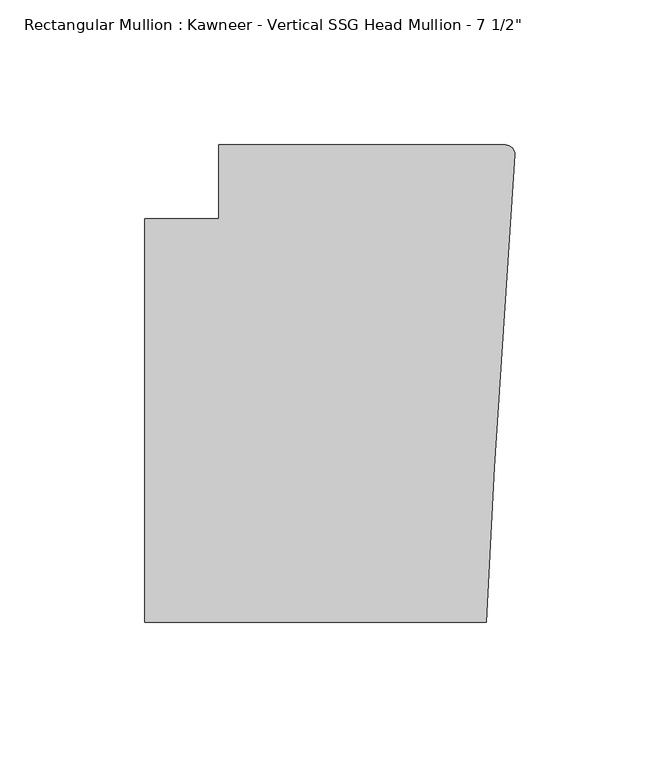
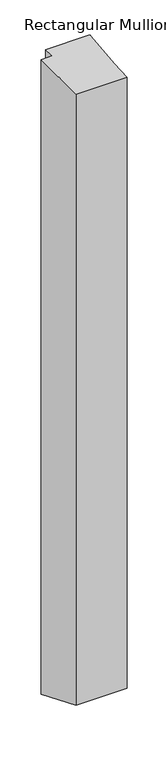
"""IFC4 building model written with IfcOpenShell, lengths in millimetres: member geometry."""

from ifc_helpers import new_model, si_unit, frame, origin, place, context, project, spatial, circle_curve, ellipse_curve, source, transform, mapped, element, save
from ifc_brep_helpers import plane_surface, cylinder_surface, advanced_brep


def member_ef259679(model_context):
    return source(origin(), model_context, "Body", "AdvancedBrep", [
        advanced_brep(
        [(-102.08978, 12.7, 0.0), (-102.08978, -12.7, 0.0), (-127.4896668, -12.7, 0.0), (-127.4896668, -151.892, 0.0), (-9.7860662, -151.892, 0.0), (-6.9873394, -98.4891117, 0.0), (-0.006635, 9.3198462, 0.0), (-3.175, 12.7, 0.0), (-102.08978, 12.7, -1559.6753403), (-102.08978, -12.7, -1549.1543159), (-127.4896668, -12.7, -1549.1543159), (-127.4896668, -151.892, -1491.4991017), (-9.7860662, -151.892, -1491.4991017), (-6.9873394, -98.4891117, -1513.6193023), (-0.006635, 9.3198462, -1558.2752348), (-3.175, 12.7, -1559.6753403)],
        [
            (0, 1),
            (1, 2),
            (2, 3),
            (3, 4),
            (4, 5),
            (5, 6),
            (6, 7, circle_curve(frame((-3.175, 9.525, 0.0), z_axis=(0.0, 0.0, 1.0), x_axis=(0.0, 1.0, 0.0)), 3.175)),
            (7, 0),
            (0, 8),
            (8, 9),
            (9, 1),
            (9, 10),
            (10, 2),
            (10, 11),
            (11, 3),
            (11, 12),
            (12, 4),
            (12, 13),
            (13, 5),
            (13, 14),
            (14, 6),
            (14, 15, ellipse_curve(frame((-3.175, 9.525, -1558.3602123), z_axis=(0.0, 0.38268343236508784, 0.9238795325112875), x_axis=(0.0, -0.9238795325112874, 0.38268343236508806)), 3.4365952, 3.175)),
            (15, 7),
            (15, 8),
        ],
        [
            plane_surface(frame((0.0, -198.3048028, 0.0), z_axis=(0.0, 0.0, 1.0), x_axis=(-1.0, 0.0, 0.0))),
            plane_surface(frame((-102.08978, 12.7, 0.0), z_axis=(-1.0, 0.0, 0.0), x_axis=(0.0, 0.0, -1.0))),
            plane_surface(frame((-102.08978, -12.7, 0.0), z_axis=(0.0, 1.0, 0.0), x_axis=(0.0, 0.0, -1.0))),
            plane_surface(frame((-127.4896668, -12.7, 0.0), z_axis=(-1.0, 0.0, 0.0), x_axis=(0.0, 0.0, -1.0))),
            plane_surface(frame((-127.4896668, -151.892, 0.0), z_axis=(0.0, -1.0, 0.0), x_axis=(0.0, 0.0, -1.0))),
            plane_surface(frame((-9.7860662, -151.892, 0.0), z_axis=(0.9986295347545738, -0.05233595624294541, 0.0), x_axis=(0.0, 0.0, -1.0))),
            plane_surface(frame((-6.9873394, -98.4891117, 0.0), z_axis=(0.9979102429769694, -0.06461537712995265, 0.0), x_axis=(0.0, 0.0, -1.0))),
            cylinder_surface(frame((-3.175, 9.525, 0.0), z_axis=(0.0, 0.0, 1.0), x_axis=(0.0, 1.0, 0.0)), 3.175),
            plane_surface(frame((-3.175, 12.7, 0.0), z_axis=(0.0, 1.0, 0.0), x_axis=(0.0, 0.0, -1.0))),
            plane_surface(frame((304.8, 0.0, -1554.4148281), z_axis=(0.0, -0.38268343236508784, -0.9238795325112875), x_axis=(0.0, -0.9238795325112875, 0.38268343236508784))),
        ],
        [
            (0, [[1, 2, 3, 4, 5, 6, 7, 8]]),
            (1, [[-1, 9, 10, 11]]),
            (2, [[-2, -11, 12, 13]]),
            (3, [[-3, -13, 14, 15]]),
            (4, [[-4, -15, 16, 17]]),
            (5, [[-5, -17, 18, 19]]),
            (6, [[-6, -19, 20, 21]]),
            (7, [[-7, -21, 22, 23]]),
            (8, [[-8, -23, 24, -9]]),
            (9, [[-24, -22, -20, -18, -16, -14, -12, -10]]),
        ],
    ),
    ])


if __name__ == "__main__":
    model = new_model("IFC4")
    model_context = context("Model", 3, world=origin())
    ifc_project = project(units=[si_unit("LENGTHUNIT", "METRE", prefix="MILLI")], contexts=[model_context])
    site = spatial("IfcSite", under=ifc_project)
    building = spatial("IfcBuilding", under=site)
    placement = place(None, origin())
    member_shape = member_ef259679(model_context)
    element("IfcMember", 1, ObjectType="Rectangular Mullion : Kawneer - Vertical SSG Head Mullion - 7 1/2\"", at=placement, inside=building, context=model_context, shape_type="MappedRepresentation", body=[
        mapped(member_shape, transform((0.0, 0.0, 0.0), x_axis=(1.0, 0.0, 0.0), y_axis=(0.0, 1.0, 0.0), z_axis=(0.0, 0.0, 1.0))),
    ])
    save(model, "model.ifc")
